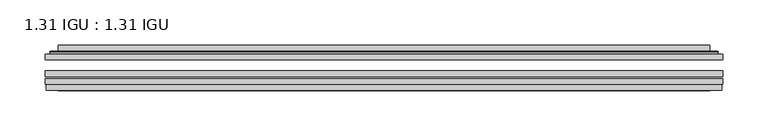
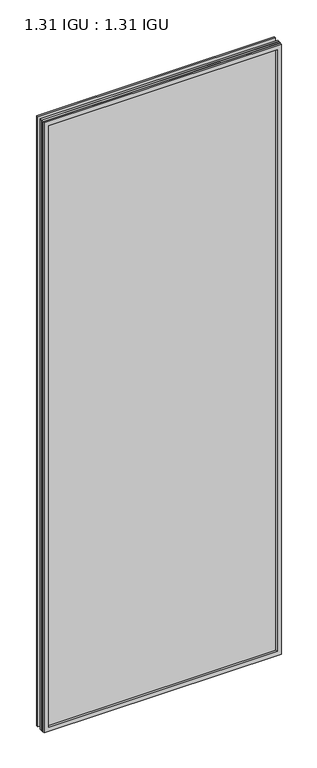
"""IFC4 building model written with IfcOpenShell, lengths in millimetres: plate geometry, 1.31 IGU : 1.31 IGU."""

from ifc_helpers import new_model, si_unit, frame, origin, place, context, project, spatial, polyline, ellipse_curve, outline, extrude, faceted_brep, source, transform, mapped, element, save
from ifc_brep_helpers import plane_surface, cylinder_surface, advanced_brep


def plate_1_31_igu_1_31_igu_15463378(model_context):
    return source(origin(), model_context, "Body", "SolidModel", [
        extrude(outline(polyline([(373.2064531, -63.59525), (373.2064531, -69.94525), (-373.1922781, -69.94525), (-373.1922781, -63.59525), (373.2064531, -63.59525)])), frame((0.0, 0.0, -14.2875), z_axis=(0.0, 0.0, 1.0), x_axis=(1.0, 0.0, 0.0)), (0.0, 0.0, 1.0), 2022.4787979),
        extrude(outline(polyline([(-373.1922781, -78.58125), (-373.1922781, -72.230745), (373.2064531, -72.230745), (373.2064531, -78.58125), (-373.1922781, -78.58125)])), frame((0.0, 0.0, -14.2875), z_axis=(0.0, 0.0, 1.0), x_axis=(1.0, 0.0, 0.0)), (0.0, 0.0, 1.0), 2022.4787979),
        extrude(outline(polyline([(373.2064531, -45.25645), (373.2064531, -51.60645), (-373.1922781, -51.60645), (-373.1922781, -45.25645), (373.2064531, -45.25645)])), frame((0.0, 0.0, -14.2875), z_axis=(0.0, 0.0, 1.0), x_axis=(1.0, 0.0, 0.0)), (0.0, 0.0, 1.0), 2022.4787979),
        faceted_brep([(-372.4920924, -84.93125, 2007.4873142), (-372.4920924, -78.58125, 2007.4873142), (-372.4920924, -78.58125, -13.5873142), (-372.4920924, -84.93125, -13.5873142), (372.4920924, -78.58125, -13.5873142), (372.4920924, -84.93125, -13.5873142), (372.4920924, -78.58125, 2007.4873142), (372.4920924, -84.93125, 2007.4873142), (-358.007034, -78.58125, 0.8977441), (358.007034, -78.58125, 0.8977441), (358.007034, -78.58125, 1993.0022559), (-358.007034, -78.58125, 1993.0022559), (-358.8994683, -84.93125, 1993.8946902), (358.8994683, -84.93125, 1993.8946902), (358.8994683, -84.93125, 0.0053098), (-358.8994683, -84.93125, 0.0053098)], [[[0, 1, 2, 3]], [[3, 2, 4, 5]], [[5, 4, 6, 7]], [[1, 6, 4, 2], [8, 9, 10, 11]], [[7, 6, 1, 0]], [[3, 5, 7, 0], [12, 13, 14, 15]], [[11, 12, 15, 8]], [[8, 15, 14, 9]], [[9, 14, 13, 10]], [[10, 13, 12, 11]]]),
        advanced_brep(
        [(-365.9509972, -45.25645, 2000.946219), (-368.3052025, -43.2667833, 2003.3004244), (-368.3052025, -43.2667833, -9.4004244), (-365.9509972, -45.25645, -7.046219), (-356.876672, -41.416413, 1991.8718939), (-351.9418402, -45.25645, 1986.9370621), (-351.9418402, -45.25645, 6.9629379), (-356.876672, -41.416413, 2.0281061), (-357.9086998, -36.0191819, 1992.9039217), (-357.9086998, -36.0191819, 0.9960783), (-358.8993566, -35.6202069, 1993.8945784), (-358.8993566, -35.6202069, 0.0054216), (-358.8993566, -42.08145, 1993.8945784), (-358.8993566, -42.08145, 0.0054216), (-367.303413, -42.08145, 2002.2986349), (-367.303413, -42.08145, -8.3986349), (368.3052025, -43.2667833, -9.4004244), (365.9509972, -45.25645, -7.046219), (351.9418402, -45.25645, 6.9629379), (356.876672, -41.416413, 2.0281061), (357.9086998, -36.0191819, 0.9960783), (358.8993566, -35.6202069, 0.0054216), (358.8993566, -42.08145, 0.0054216), (367.303413, -42.08145, -8.3986349), (368.3052025, -43.2667833, 2003.3004244), (365.9509972, -45.25645, 2000.946219), (351.9418402, -45.25645, 1986.9370621), (356.876672, -41.416413, 1991.8718939), (357.9086998, -36.0191819, 1992.9039217), (358.8993566, -35.6202069, 1993.8945784), (358.8993566, -42.08145, 1993.8945784), (367.303413, -42.08145, 2002.2986349)],
        [
            (0, 1, ellipse_curve(frame((-365.9509972, -42.86885, 2000.946219), z_axis=(-0.7071067811865475, 0.0, -0.7071067811865475), x_axis=(-0.7071067811865474, 0.0, 0.7071067811865476)), 3.3765763, 2.3876)),
            (1, 2),
            (2, 3, ellipse_curve(frame((-365.9509972, -42.86885, -7.046219), z_axis=(-0.7071067811865475, 0.0, 0.7071067811865475), x_axis=(0.7071067811865474, 0.0, 0.7071067811865476)), 3.3765763, 2.3876)),
            (3, 0),
            (4, 5),
            (5, 6),
            (6, 7),
            (7, 4),
            (8, 4),
            (7, 9),
            (9, 8),
            (10, 8, ellipse_curve(frame((-358.5324, -36.1384423, 1993.5276219), z_axis=(-0.7071067811865475, 0.0, -0.7071067811865475), x_axis=(-0.7071067811865474, 0.0, 0.7071067811865476)), 0.8980256, 0.635)),
            (9, 11, ellipse_curve(frame((-358.5324, -36.1384423, 0.3723781), z_axis=(-0.7071067811865475, 0.0, 0.7071067811865475), x_axis=(0.7071067811865474, 0.0, 0.7071067811865476)), 0.8980256, 0.635)),
            (11, 10),
            (12, 10),
            (11, 13),
            (13, 12),
            (1, 14, ellipse_curve(frame((-367.303413, -43.09745, 2002.2986349), z_axis=(-0.7071067811865475, 0.0, -0.7071067811865475), x_axis=(-0.7071067811865474, 0.0, 0.7071067811865476)), 1.436841, 1.016)),
            (14, 15),
            (15, 2, ellipse_curve(frame((-367.303413, -43.09745, -8.3986349), z_axis=(-0.7071067811865475, 0.0, 0.7071067811865475), x_axis=(0.7071067811865474, 0.0, 0.7071067811865476)), 1.436841, 1.016)),
            (2, 16),
            (16, 17, ellipse_curve(frame((365.9509972, -42.86885, -7.046219), z_axis=(-0.7071067811865475, 0.0, -0.7071067811865475), x_axis=(-0.7071067811865476, 0.0, 0.7071067811865474)), 3.3765763, 2.3876)),
            (17, 3),
            (6, 18),
            (18, 19),
            (19, 7),
            (19, 20),
            (20, 9),
            (20, 21, ellipse_curve(frame((358.5324, -36.1384423, 0.3723781), z_axis=(-0.7071067811865475, 0.0, -0.7071067811865475), x_axis=(-0.7071067811865476, 0.0, 0.7071067811865474)), 0.8980256, 0.635)),
            (21, 11),
            (21, 22),
            (22, 13),
            (15, 23),
            (23, 16, ellipse_curve(frame((367.303413, -43.09745, -8.3986349), z_axis=(-0.7071067811865475, 0.0, -0.7071067811865475), x_axis=(-0.7071067811865476, 0.0, 0.7071067811865474)), 1.436841, 1.016)),
            (16, 24),
            (24, 25, ellipse_curve(frame((365.9509972, -42.86885, 2000.946219), z_axis=(0.7071067811865475, 0.0, -0.7071067811865475), x_axis=(-0.7071067811865474, 0.0, -0.7071067811865476)), 3.3765763, 2.3876)),
            (25, 17),
            (18, 26),
            (26, 27),
            (27, 19),
            (27, 28),
            (28, 20),
            (28, 29, ellipse_curve(frame((358.5324, -36.1384423, 1993.5276219), z_axis=(0.7071067811865475, 0.0, -0.7071067811865475), x_axis=(-0.7071067811865474, 0.0, -0.7071067811865476)), 0.8980256, 0.635)),
            (29, 21),
            (29, 30),
            (30, 22),
            (23, 31),
            (31, 24, ellipse_curve(frame((367.303413, -43.09745, 2002.2986349), z_axis=(0.7071067811865475, 0.0, -0.7071067811865475), x_axis=(-0.7071067811865474, 0.0, -0.7071067811865476)), 1.436841, 1.016)),
            (24, 1),
            (0, 25),
            (5, 26),
            (4, 27),
            (8, 28),
            (10, 29),
            (12, 30),
            (14, 31),
        ],
        [
            cylinder_surface(frame((-365.9509972, -42.86885, 2025.65), z_axis=(0.0, 0.0, 1.0), x_axis=(-1.0, 0.0, 0.0)), 2.3876),
            plane_surface(frame((-351.9418402, -45.25645, 1986.9370621), z_axis=(0.6141233906514794, 0.7892100234124821, 0.0), x_axis=(0.0, 0.0, -1.0))),
            plane_surface(frame((-356.876672, -41.416413, 1991.8718939), z_axis=(0.9822050625507729, 0.18781164793386074, 0.0), x_axis=(0.0, 0.0, -1.0))),
            cylinder_surface(frame((-358.5324, -36.1384423, 2025.65), z_axis=(0.0, 0.0, 1.0), x_axis=(-1.0, 0.0, 0.0)), 0.635),
            plane_surface(frame((-358.8993566, -35.6202069, 1993.8945784), z_axis=(-1.0, 0.0, 0.0), x_axis=(0.0, 0.0, -1.0))),
            cylinder_surface(frame((-367.303413, -43.09745, 2025.65), z_axis=(0.0, 0.0, 1.0), x_axis=(-1.0, 0.0, 0.0)), 1.016),
            cylinder_surface(frame((-390.6547781, -42.86885, -7.046219), z_axis=(-1.0, 0.0, 0.0), x_axis=(0.0, 0.0, -1.0)), 2.3876),
            plane_surface(frame((-351.9418402, -45.25645, 6.9629379), z_axis=(0.0, 0.7892100234124841, 0.6141233906514768), x_axis=(1.0, 0.0, 0.0))),
            plane_surface(frame((-356.876672, -41.416413, 2.0281061), z_axis=(0.0, 0.18781164793386393, 0.9822050625507723), x_axis=(1.0, 0.0, 0.0))),
            cylinder_surface(frame((-390.6547781, -36.1384423, 0.3723781), z_axis=(-1.0, 0.0, 0.0), x_axis=(0.0, 0.0, -1.0)), 0.635),
            plane_surface(frame((-358.8993566, -35.6202069, 0.0054216), z_axis=(0.0, 0.0, -1.0), x_axis=(1.0, 0.0, 0.0))),
            cylinder_surface(frame((-390.6547781, -43.09745, -8.3986349), z_axis=(-1.0, 0.0, 0.0), x_axis=(0.0, 0.0, -1.0)), 1.016),
            cylinder_surface(frame((365.9509972, -42.86885, -31.75), z_axis=(0.0, 0.0, -1.0), x_axis=(1.0, 0.0, 0.0)), 2.3876),
            plane_surface(frame((351.9418402, -45.25645, 6.9629379), z_axis=(-0.6141233906514743, 0.7892100234124861, 0.0), x_axis=(0.0, 0.0, 1.0))),
            plane_surface(frame((356.876672, -41.416413, 2.0281061), z_axis=(-0.9822050625507718, 0.18781164793386712, 0.0), x_axis=(0.0, 0.0, 1.0))),
            cylinder_surface(frame((358.5324, -36.1384423, -31.75), z_axis=(0.0, 0.0, -1.0), x_axis=(1.0, 0.0, 0.0)), 0.635),
            plane_surface(frame((358.8993566, -35.6202069, 0.0054216), z_axis=(1.0, 0.0, 0.0), x_axis=(0.0, 0.0, 1.0))),
            cylinder_surface(frame((367.303413, -43.09745, -31.75), z_axis=(0.0, 0.0, -1.0), x_axis=(1.0, 0.0, 0.0)), 1.016),
            cylinder_surface(frame((390.6547781, -42.86885, 2000.946219), z_axis=(1.0, 0.0, 0.0), x_axis=(0.0, 0.0, 1.0)), 2.3876),
            plane_surface(frame((365.9509972, -45.25645, 2000.946219), z_axis=(0.0, -1.0, 0.0), x_axis=(-1.0, 0.0, 0.0))),
            plane_surface(frame((351.9418402, -45.25645, 1986.9370621), z_axis=(0.0, 0.7892100234124841, -0.6141233906514768), x_axis=(-1.0, 0.0, 0.0))),
            plane_surface(frame((356.876672, -41.416413, 1991.8718939), z_axis=(0.0, 0.18781164793386393, -0.9822050625507723), x_axis=(-1.0, 0.0, 0.0))),
            cylinder_surface(frame((390.6547781, -36.1384423, 1993.5276219), z_axis=(1.0, 0.0, 0.0), x_axis=(0.0, 0.0, 1.0)), 0.635),
            plane_surface(frame((358.8993566, -35.6202069, 1993.8945784), z_axis=(0.0, 0.0, 1.0), x_axis=(-1.0, 0.0, 0.0))),
            plane_surface(frame((358.8993566, -42.08145, 1993.8945784), z_axis=(0.0, 1.0, 0.0), x_axis=(-1.0, 0.0, 0.0))),
            cylinder_surface(frame((390.6547781, -43.09745, 2002.2986349), z_axis=(1.0, 0.0, 0.0), x_axis=(0.0, 0.0, 1.0)), 1.016),
        ],
        [
            (0, [[1, 2, 3, 4]]),
            (1, [[5, 6, 7, 8]]),
            (2, [[9, -8, 10, 11]]),
            (3, [[12, -11, 13, 14]]),
            (4, [[15, -14, 16, 17]]),
            (5, [[18, 19, 20, -2]]),
            (6, [[-3, 21, 22, 23]]),
            (7, [[-7, 24, 25, 26]]),
            (8, [[-10, -26, 27, 28]]),
            (9, [[-13, -28, 29, 30]]),
            (10, [[-16, -30, 31, 32]]),
            (11, [[-20, 33, 34, -21]]),
            (12, [[-22, 35, 36, 37]]),
            (13, [[-25, 38, 39, 40]]),
            (14, [[-27, -40, 41, 42]]),
            (15, [[-29, -42, 43, 44]]),
            (16, [[-31, -44, 45, 46]]),
            (17, [[-34, 47, 48, -35]]),
            (18, [[-36, 49, -1, 50]]),
            (19, [[-23, -37, -50, -4], [51, -38, -24, -6]]),
            (20, [[-39, -51, -5, 52]]),
            (21, [[-41, -52, -9, 53]]),
            (22, [[-43, -53, -12, 54]]),
            (23, [[-45, -54, -15, 55]]),
            (24, [[56, -47, -33, -19], [-32, -46, -55, -17]]),
            (25, [[-48, -56, -18, -49]]),
        ],
    ),
    ])


if __name__ == "__main__":
    model = new_model("IFC4")
    model_context = context("Model", 3, world=origin())
    ifc_project = project(units=[si_unit("LENGTHUNIT", "METRE", prefix="MILLI")], contexts=[model_context])
    site = spatial("IfcSite", under=ifc_project)
    building = spatial("IfcBuilding", under=site)
    placement = place(None, origin())
    plate_1_31_igu_1_31_igu_shape = plate_1_31_igu_1_31_igu_15463378(model_context)
    element("IfcPlate", 1, ObjectType="1.31 IGU : 1.31 IGU", at=placement, inside=building, context=model_context, shape_type="MappedRepresentation", body=[
        mapped(plate_1_31_igu_1_31_igu_shape, transform((0.0, 0.0, 0.0), x_axis=(1.0, 0.0, 0.0), y_axis=(0.0, 1.0, 0.0), z_axis=(0.0, 0.0, 1.0))),
    ])
    save(model, "model.ifc")
